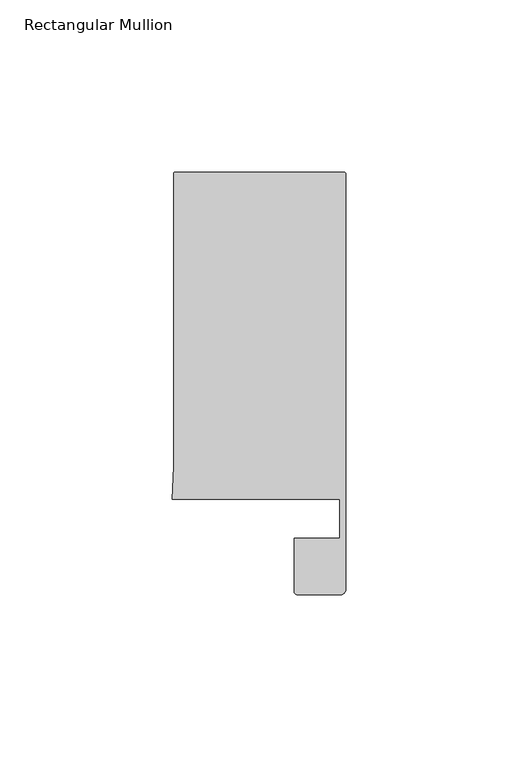
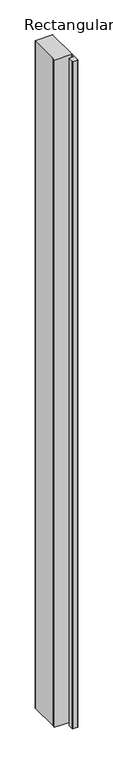
"""IFC4 building model written with IfcOpenShell, lengths in millimetres: member geometry, Rectangular Mullion."""

from ifc_helpers import new_model, si_unit, frame, origin, place, context, project, spatial, circle_curve, source, transform, mapped, element, save
from ifc_brep_helpers import plane_surface, cylinder_surface, advanced_brep


def rectangular_mullion_7c201e8a(model_context):
    return source(origin(), model_context, "Body", "AdvancedBrep", [
        advanced_brep(
        [(-49.5, 108.995417, 0.0), (-50.0, 108.495417, 0.0), (-50.0, 23.4856858, 0.0), (-50.4480459, 14.0, 0.0), (-1.8, 14.0, 0.0), (-1.8, 2.6022043, 0.0), (-15.0, 2.6022043, 0.0), (-15.0, -12.8070793, 0.0), (-13.9997566, -13.8070793, 0.0), (-1.5, -13.8070793, 0.0), (0.0, -12.3070793, 0.0), (0.0, 14.0, 0.0), (0.0, 108.495417, 0.0), (-0.5, 108.995417, 0.0), (-49.5, 108.995417, -1991.3982976), (-0.5, 108.995417, -1991.3982976), (0.0, 108.495417, -1991.3982976), (0.0, 14.0, -1991.3982976), (0.0, -12.3070793, -1991.3982976), (-1.5, -13.8070793, -1991.3982976), (-13.9997566, -13.8070793, -1991.3982976), (-14.9997566, -12.8070793, -1991.3982976), (-15.0, 2.6022043, -1991.3982976), (-1.8, 2.6022043, -1991.3982976), (-1.8, 14.0, -1991.3982976), (-50.4480459, 14.0, -1991.3982976), (-50.0, 23.4856858, -1991.3982976), (-50.0, 108.495417, -1991.3982976)],
        [
            (0, 1, circle_curve(frame((-49.5, 108.495417, 0.0), z_axis=(0.0, 0.0, 1.0), x_axis=(1.0, 0.0, 0.0)), 0.5)),
            (1, 2),
            (2, 3),
            (3, 4),
            (4, 5),
            (5, 6),
            (6, 7),
            (7, 8, circle_curve(frame((-13.9997566, -12.8070793, 0.0), z_axis=(0.0, 0.0, 1.0), x_axis=(1.0, 0.0, 0.0)), 1.0)),
            (8, 9),
            (9, 10, circle_curve(frame((-1.5, -12.3070793, 0.0), z_axis=(0.0, 0.0, 1.0), x_axis=(1.0, 0.0, 0.0)), 1.5)),
            (10, 11),
            (11, 12),
            (12, 13, circle_curve(frame((-0.5, 108.495417, 0.0), z_axis=(0.0, 0.0, 1.0), x_axis=(1.0, 0.0, 0.0)), 0.5)),
            (13, 0),
            (14, 15),
            (15, 16, circle_curve(frame((-0.5, 108.495417, -1991.3982976), z_axis=(0.0, 0.0, -1.0), x_axis=(1.0, 0.0, 0.0)), 0.5)),
            (16, 17),
            (17, 18),
            (18, 19, circle_curve(frame((-1.5, -12.3070793, -1991.3982976), z_axis=(0.0, 0.0, -1.0), x_axis=(1.0, 0.0, 0.0)), 1.5)),
            (19, 20),
            (20, 21, circle_curve(frame((-13.9997566, -12.8070793, -1991.3982976), z_axis=(0.0, 0.0, -1.0), x_axis=(1.0, 0.0, 0.0)), 1.0)),
            (21, 22),
            (22, 23),
            (23, 24),
            (24, 25),
            (25, 26),
            (26, 27),
            (27, 14, circle_curve(frame((-49.5, 108.495417, -1991.3982976), z_axis=(0.0, 0.0, -1.0), x_axis=(1.0, 0.0, 0.0)), 0.5)),
            (0, 14),
            (27, 1),
            (26, 2),
            (25, 3),
            (24, 4),
            (23, 5),
            (22, 6),
            (21, 7),
            (20, 8),
            (19, 9),
            (18, 10),
            (17, 11),
            (16, 12),
            (15, 13),
        ],
        [
            plane_surface(frame((0.0, -119.7224922, 0.0), z_axis=(0.0, 0.0, 1.0), x_axis=(-1.0, 0.0, 0.0))),
            plane_surface(frame((0.0, -119.7224922, -1991.3982976), z_axis=(0.0, 0.0, -1.0), x_axis=(-1.0, 0.0, 0.0))),
            cylinder_surface(frame((-49.5, 108.495417, 0.0), z_axis=(0.0, 0.0, 1.0), x_axis=(1.0, 0.0, 0.0)), 0.5),
            plane_surface(frame((-50.0, 108.495417, 0.0), z_axis=(-1.0, 0.0, 0.0), x_axis=(0.0, 0.0, -1.0))),
            plane_surface(frame((-50.0, 23.4856858, 0.0), z_axis=(-0.9988863426396719, 0.047181293834952384, 0.0), x_axis=(0.0, 0.0, -1.0))),
            plane_surface(frame((-50.4480459, 14.0, 0.0), z_axis=(0.0, -1.0, 0.0), x_axis=(0.0, 0.0, -1.0))),
            plane_surface(frame((-1.8, 14.0, 0.0), z_axis=(-1.0, 0.0, 0.0), x_axis=(0.0, 0.0, -1.0))),
            plane_surface(frame((-1.8, 2.6022043, 0.0), z_axis=(0.0, 1.0, 0.0), x_axis=(0.0, 0.0, -1.0))),
            plane_surface(frame((-15.0, 2.6022043, 0.0), z_axis=(-1.0, 0.0, 0.0), x_axis=(0.0, 0.0, -1.0))),
            cylinder_surface(frame((-13.9997566, -12.8070793, 0.0), z_axis=(0.0, 0.0, 1.0), x_axis=(1.0, 0.0, 0.0)), 1.0),
            plane_surface(frame((-13.9997566, -13.8070793, 0.0), z_axis=(0.0, -1.0, 0.0), x_axis=(0.0, 0.0, -1.0))),
            cylinder_surface(frame((-1.5, -12.3070793, 0.0), z_axis=(0.0, 0.0, 1.0), x_axis=(1.0, 0.0, 0.0)), 1.5),
            plane_surface(frame((0.0, -12.3070793, 0.0), z_axis=(1.0, 0.0, 0.0), x_axis=(0.0, 0.0, -1.0))),
            plane_surface(frame((0.0, 14.0, 0.0), z_axis=(1.0, 0.0, 0.0), x_axis=(0.0, 0.0, -1.0))),
            cylinder_surface(frame((-0.5, 108.495417, 0.0), z_axis=(0.0, 0.0, 1.0), x_axis=(1.0, 0.0, 0.0)), 0.5),
            plane_surface(frame((-0.5, 108.995417, 0.0), z_axis=(0.0, 1.0, 0.0), x_axis=(0.0, 0.0, -1.0))),
        ],
        [
            (0, [[1, 2, 3, 4, 5, 6, 7, 8, 9, 10, 11, 12, 13, 14]]),
            (1, [[15, 16, 17, 18, 19, 20, 21, 22, 23, 24, 25, 26, 27, 28]]),
            (2, [[-1, 29, -28, 30]]),
            (3, [[-2, -30, -27, 31]]),
            (4, [[-3, -31, -26, 32]]),
            (5, [[-4, -32, -25, 33]]),
            (6, [[-5, -33, -24, 34]]),
            (7, [[-6, -34, -23, 35]]),
            (8, [[-7, -35, -22, 36]]),
            (9, [[-8, -36, -21, 37]]),
            (10, [[-9, -37, -20, 38]]),
            (11, [[-10, -38, -19, 39]]),
            (12, [[-11, -39, -18, 40]]),
            (13, [[-12, -40, -17, 41]]),
            (14, [[-13, -41, -16, 42]]),
            (15, [[-14, -42, -15, -29]]),
        ],
    ),
    ])


if __name__ == "__main__":
    model = new_model("IFC4")
    model_context = context("Model", 3, world=origin())
    ifc_project = project(units=[si_unit("LENGTHUNIT", "METRE", prefix="MILLI")], contexts=[model_context])
    site = spatial("IfcSite", under=ifc_project)
    building = spatial("IfcBuilding", under=site)
    placement = place(None, origin())
    rectangular_mullion_shape = rectangular_mullion_7c201e8a(model_context)
    element("IfcMember", 1, ObjectType="Rectangular Mullion", at=placement, inside=building, context=model_context, shape_type="MappedRepresentation", body=[
        mapped(rectangular_mullion_shape, transform((0.0, 0.0, 0.0), x_axis=(1.0, 0.0, 0.0), y_axis=(0.0, 1.0, 0.0), z_axis=(0.0, 0.0, 1.0))),
    ])
    save(model, "model.ifc")
